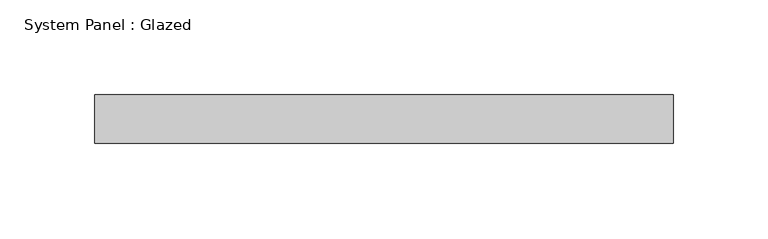
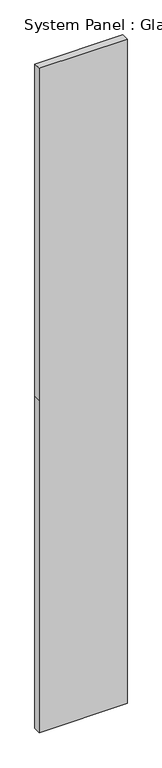
"""IFC4 building model written with IfcOpenShell, lengths in millimetres: plate geometry, System Panel : Glazed."""

from ifc_helpers import new_model, si_unit, frame, origin, place, context, project, spatial, polyline, outline, extrude, source, transform, mapped, element, save


def system_panel_glazed_266ed9ee(model_context):
    return source(origin(), model_context, "Body", "SweptSolid", [
        extrude(outline(polyline([(0.0, -152.4), (0.0, 152.4), (1219.2, 152.4), (2438.4, 152.4), (2438.4, -152.4), (1219.2, -152.4), (0.0, -152.4)])), frame((0.0, 19.05, 0.0), z_axis=(0.0, 1.0, 0.0), x_axis=(0.0, 0.0, 1.0)), (0.0, 0.0, 1.0), 25.4),
    ])


if __name__ == "__main__":
    model = new_model("IFC4")
    model_context = context("Model", 3, world=origin())
    ifc_project = project(units=[si_unit("LENGTHUNIT", "METRE", prefix="MILLI")], contexts=[model_context])
    site = spatial("IfcSite", under=ifc_project)
    building = spatial("IfcBuilding", under=site)
    placement = place(None, origin())
    system_panel_glazed_shape = system_panel_glazed_266ed9ee(model_context)
    element("IfcPlate", 1, ObjectType="System Panel : Glazed", at=placement, inside=building, context=model_context, shape_type="MappedRepresentation", body=[
        mapped(system_panel_glazed_shape, transform((0.0, 0.0, 0.0), x_axis=(1.0, 0.0, 0.0), y_axis=(0.0, 1.0, 0.0), z_axis=(0.0, 0.0, 1.0))),
    ])
    save(model, "model.ifc")
